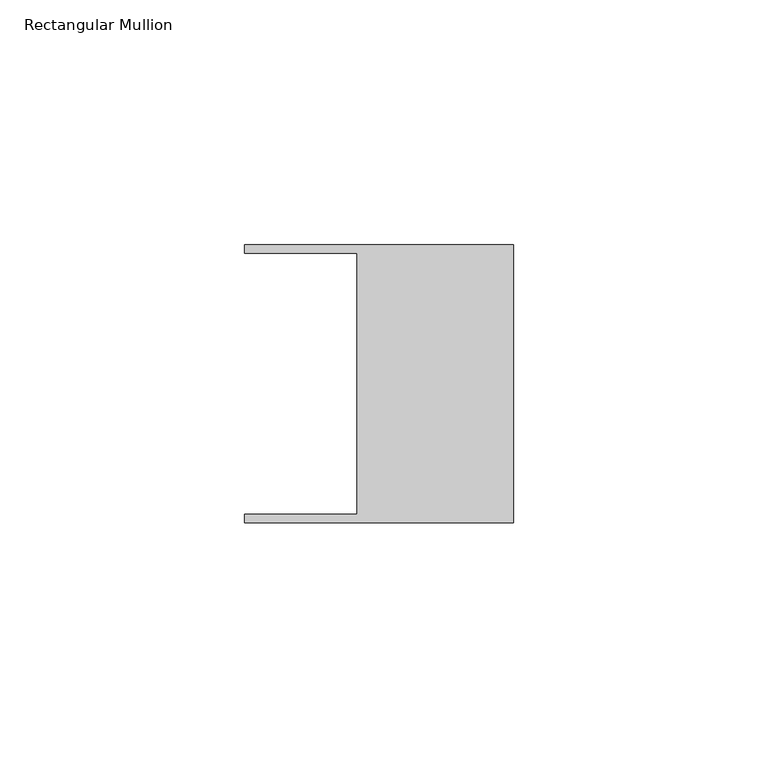
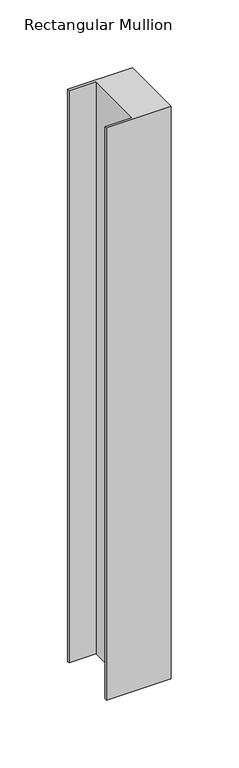
"""IFC4 building model written with IfcOpenShell, lengths in millimetres: member geometry, Rectangular Mullion."""

from ifc_helpers import new_model, si_unit, frame, origin, place, context, project, spatial, polyline, outline, extrude, source, transform, mapped, element, save


def rectangular_mullion_f6eb7ab3(model_context):
    return source(origin(), model_context, "Body", "SweptSolid", [
        extrude(outline(polyline([(-32.004, -26.67), (-32.004, 26.67), (-54.991, 26.67), (-54.991, 28.448), (0.0, 28.448), (0.0, -28.448), (-54.991, -28.448), (-54.991, -26.67), (-32.004, -26.67)])), frame((0.0, 0.0, -514.35), z_axis=(0.0, 0.0, 1.0), x_axis=(1.0, 0.0, 0.0)), (0.0, 0.0, 1.0), 514.35),
    ])


if __name__ == "__main__":
    model = new_model("IFC4")
    model_context = context("Model", 3, world=origin())
    ifc_project = project(units=[si_unit("LENGTHUNIT", "METRE", prefix="MILLI")], contexts=[model_context])
    site = spatial("IfcSite", under=ifc_project)
    building = spatial("IfcBuilding", under=site)
    placement = place(None, origin())
    rectangular_mullion_shape = rectangular_mullion_f6eb7ab3(model_context)
    element("IfcMember", 1, ObjectType="Rectangular Mullion", at=placement, inside=building, context=model_context, shape_type="MappedRepresentation", body=[
        mapped(rectangular_mullion_shape, transform((0.0, 0.0, 0.0), x_axis=(1.0, 0.0, 0.0), y_axis=(0.0, 1.0, 0.0), z_axis=(0.0, 0.0, 1.0))),
    ])
    save(model, "model.ifc")
